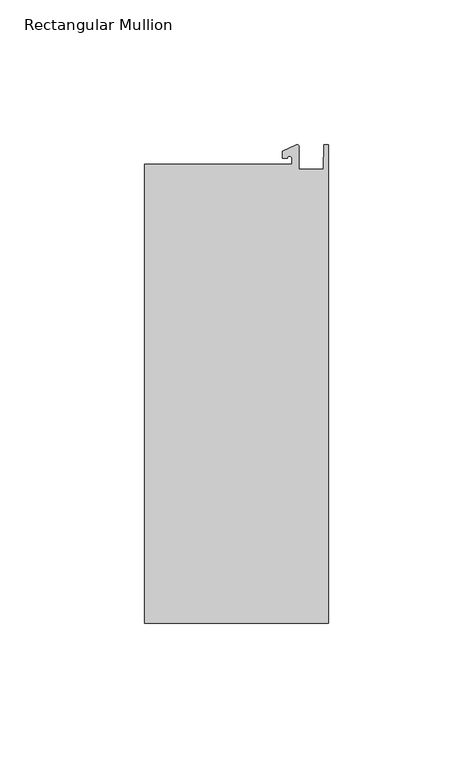
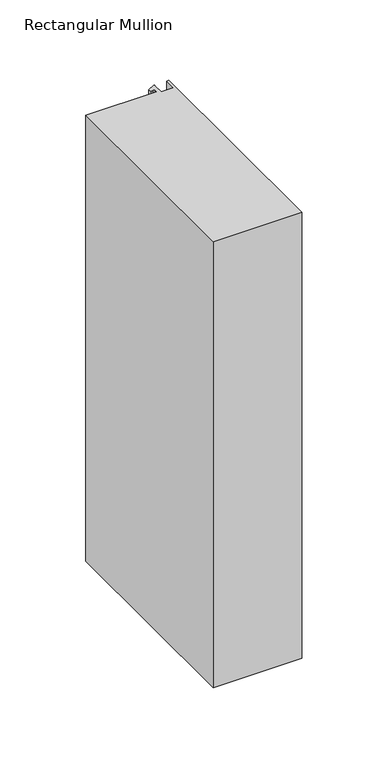
"""IFC4 building model written with IfcOpenShell, lengths in millimetres: member geometry, Rectangular Mullion."""

from ifc_helpers import new_model, si_unit, point, frame, frame_2d, origin, place, context, project, spatial, polyline, circle_curve, trimmed, segment, composite_curve, outline, extrude, source, transform, mapped, element, save


def rectangular_mullion_a45216cf(model_context):
    return source(origin(), model_context, "Body", "SweptSolid", [
        extrude(outline(composite_curve([segment(polyline([(-12.6173814, 25.5984375), (-12.6173814, 27.6780632)]), True, "CONTINUOUS"), segment(trimmed(circle_curve(frame_2d((-13.4111314, 27.6780632)), 0.79375), [point((-12.6173814, 27.6780632))], [point((-14.2048814, 27.6780632))], True, "CARTESIAN"), True, "CONTINUOUS"), segment(polyline([(-14.2048814, 27.6780632), (-15.7923814, 27.6780632), (-15.7923814, 30.0402625), (-10.9524715, 32.2971496)]), True, "CONTINUOUS"), segment(trimmed(circle_curve(frame_2d((-10.7377814, 31.8367452)), 0.508), [point((-10.9524715, 32.2971496))], [point((-10.2297814, 31.8367452))], False, "CARTESIAN"), True, "CONTINUOUS"), segment(polyline([(-10.2297814, 31.8367452), (-10.2297814, 23.9227662), (-1.7144124, 23.9227662), (-1.5658966, 32.288874), (0.0, 32.288874), (0.0, -132.822512), (-63.5, -132.822512), (-63.5, 25.5984375), (-12.6173814, 25.5984375)]), True, "CONTINUOUS")], self_intersect=False)), frame((0.0, 0.0, -338.6666667), z_axis=(0.0, 0.0, 1.0), x_axis=(1.0, 0.0, 0.0)), (0.0, 0.0, 1.0), 338.6666667),
    ])


if __name__ == "__main__":
    model = new_model("IFC4")
    model_context = context("Model", 3, world=origin())
    ifc_project = project(units=[si_unit("LENGTHUNIT", "METRE", prefix="MILLI")], contexts=[model_context])
    site = spatial("IfcSite", under=ifc_project)
    building = spatial("IfcBuilding", under=site)
    placement = place(None, origin())
    rectangular_mullion_shape = rectangular_mullion_a45216cf(model_context)
    element("IfcMember", 1, ObjectType="Rectangular Mullion", at=placement, inside=building, context=model_context, shape_type="MappedRepresentation", body=[
        mapped(rectangular_mullion_shape, transform((0.0, 0.0, 0.0), x_axis=(1.0, 0.0, 0.0), y_axis=(0.0, 1.0, 0.0), z_axis=(0.0, 0.0, 1.0))),
    ])
    save(model, "model.ifc")
